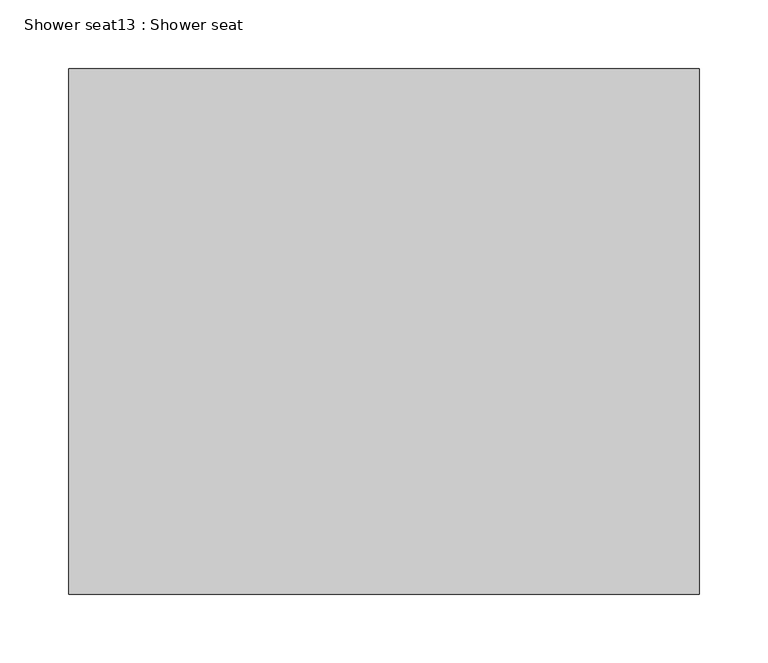
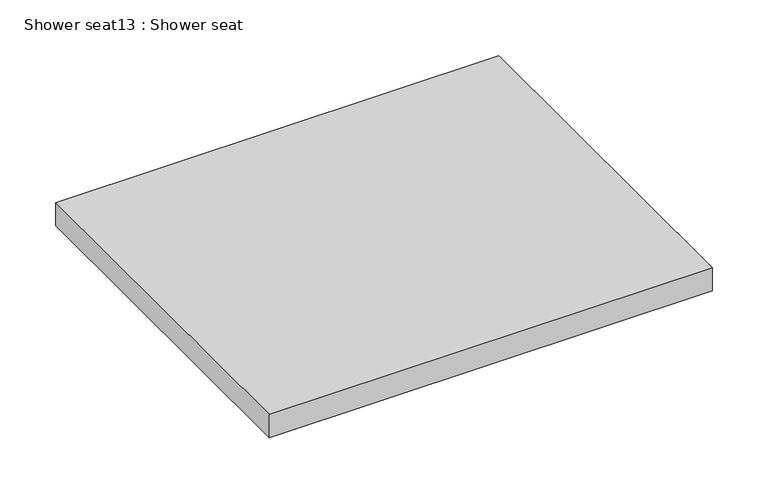
"""IFC4 building model written with IfcOpenShell, lengths in millimetres: proxy geometry, Shower seat13 : Shower seat."""

import ifcopenshell
import ifcopenshell.guid

model = None  # the IFC model being written
_history = None  # IfcOwnerHistory: only IFC2X3 demands one
_inside = {}  # id of a spatial element -> (the spatial element, [elements in it])
_under = {}  # id of a project, library or spatial element -> (it, [spatial elements below it])
_declared = {}  # id of a project -> (the project, [libraries it declares])
_typed = {}  # id of a type object -> (the type object, [elements of that type])
_made_of = {}  # id of a material, layer set ... -> (it, [elements and type objects made of it])


def new_model(schema):
    """Start an empty IFC model of exactly this schema.

    Asked for "IFC4X3", IfcOpenShell would pick the latest addendum, in which some entities
    have other attributes; the version numbers below select the first issue.
    IFC2X3 requires an IfcOwnerHistory on every rooted entity: one is made here for all.
    """
    global model, _history
    if schema == "IFC4X3":
        model = ifcopenshell.file(schema_version=(4, 3, 0, 0))
    else:
        model = ifcopenshell.file(schema=schema)
    _inside.clear()
    _under.clear()
    _declared.clear()
    _typed.clear()
    _made_of.clear()
    _history = None
    if model.schema == "IFC2X3":
        org = make("IfcOrganization", Name="unknown")
        user = make(
            "IfcPersonAndOrganization",
            ThePerson=make("IfcPerson", FamilyName="unknown"),
            TheOrganization=org,
        )
        app = make(
            "IfcApplication",
            ApplicationDeveloper=org,
            Version="unknown",
            ApplicationFullName="unknown",
            ApplicationIdentifier="unknown",
        )
        _history = make(
            "IfcOwnerHistory",
            OwningUser=user,
            OwningApplication=app,
            ChangeAction="ADDED",
            CreationDate=0,
        )
    return model


def make(cls, **values):
    """One entity of the class cls with the attributes given. An attribute that is None is left unset."""
    return model.create_entity(
        cls, **{name: value for name, value in values.items() if value is not None}
    )


def rooted(cls, **values):
    """An entity with a GlobalId (a new one), such as an element, a storey or a relation."""
    return make(cls, GlobalId=ifcopenshell.guid.new(), OwnerHistory=_history, **values)


def si_unit(unit_type, name, prefix=None):
    """IfcSIUnit, for example si_unit("LENGTHUNIT", "METRE", prefix="MILLI")."""
    return make("IfcSIUnit", UnitType=unit_type, Prefix=prefix, Name=name)


def assignment(units):
    """IfcUnitAssignment: the units of a project."""
    return None if units is None else make("IfcUnitAssignment", Units=units)


def point(xyz):
    """IfcCartesianPoint."""
    return None if xyz is None else make("IfcCartesianPoint", Coordinates=xyz)


def direction(xyz):
    """IfcDirection."""
    return None if xyz is None else make("IfcDirection", DirectionRatios=xyz)


def frame(location, z_axis=None, x_axis=None):
    """IfcAxis2Placement3D, a coordinate frame: its origin and axes. An axis left out is left unset."""
    return make(
        "IfcAxis2Placement3D",
        Location=point(location),
        Axis=direction(z_axis),
        RefDirection=direction(x_axis),
    )


def origin():
    """The frame at (0, 0, 0) with its axes left unset."""
    return frame((0.0, 0.0, 0.0))


def place(relative_to, where):
    """IfcLocalPlacement: puts the frame where relative to a parent placement (None: the world)."""
    return make(
        "IfcLocalPlacement", PlacementRelTo=relative_to, RelativePlacement=where
    )


def context(
    kind, dimensions, precision=None, world=None, true_north=None, identifier=None
):
    """IfcGeometricRepresentationContext, for example the 3D "Model" context."""
    return make(
        "IfcGeometricRepresentationContext",
        ContextIdentifier=identifier,
        ContextType=kind,
        CoordinateSpaceDimension=dimensions,
        Precision=precision,
        WorldCoordinateSystem=world,
        TrueNorth=true_north,
    )


def project(units=None, contexts=None):
    """IfcProject with its units and contexts."""
    return rooted(
        "IfcProject",
        Name="project",
        RepresentationContexts=contexts,
        UnitsInContext=assignment(units),
    )


def spatial(cls, under=None, at=None, **own):
    """A site, building, storey or space (cls), placed at a placement, below another one or the project."""
    s = rooted(cls, ObjectPlacement=at, **own)
    if under is not None:
        _under.setdefault(under.id(), (under, []))[1].append(s)
    return s


def polyline(points):
    """IfcPolyline through the points."""
    return make("IfcPolyline", Points=[point(p) for p in points])


def outline(outer, holes=None, kind="AREA"):
    """IfcArbitraryClosedProfileDef: a profile drawn as a closed curve; with holes, ...WithVoids."""
    if holes is None:
        return make("IfcArbitraryClosedProfileDef", ProfileType=kind, OuterCurve=outer)
    return make(
        "IfcArbitraryProfileDefWithVoids",
        ProfileType=kind,
        OuterCurve=outer,
        InnerCurves=holes,
    )


def extrude(swept, where, along, depth):
    """IfcExtrudedAreaSolid: the profile swept, set in the frame where, extruded along a direction by depth."""
    return make(
        "IfcExtrudedAreaSolid",
        SweptArea=swept,
        Position=where,
        ExtrudedDirection=direction(along),
        Depth=depth,
    )


def shape(context_of_items, identifier, shape_type, items):
    """IfcShapeRepresentation: the items that make up one representation, for example the "Body"."""
    return make(
        "IfcShapeRepresentation",
        ContextOfItems=context_of_items,
        RepresentationIdentifier=identifier,
        RepresentationType=shape_type,
        Items=items,
    )


def source(mapping_origin, context_of_items, identifier, shape_type, items):
    """IfcRepresentationMap: a shape defined once, which mapped items show again and again."""
    return make(
        "IfcRepresentationMap",
        MappingOrigin=mapping_origin,
        MappedRepresentation=shape(context_of_items, identifier, shape_type, items),
    )


def transform(
    local_origin,
    x_axis=None,
    y_axis=None,
    z_axis=None,
    scale=None,
    scale2=None,
    scale3=None,
    uniform=True,
):
    """IfcCartesianTransformationOperator3D, or its non-uniform kind. x_axis, y_axis, z_axis: its Axis1, 2, 3."""
    if uniform:
        return make(
            "IfcCartesianTransformationOperator3D",
            Axis1=direction(x_axis),
            Axis2=direction(y_axis),
            LocalOrigin=point(local_origin),
            Scale=scale,
            Axis3=direction(z_axis),
        )
    return make(
        "IfcCartesianTransformationOperator3DnonUniform",
        Axis1=direction(x_axis),
        Axis2=direction(y_axis),
        LocalOrigin=point(local_origin),
        Scale=scale,
        Axis3=direction(z_axis),
        Scale2=scale2,
        Scale3=scale3,
    )


def mapped(mapping_source, mapping_target):
    """IfcMappedItem: shows the shape of a source again, moved by a transform."""
    return make(
        "IfcMappedItem", MappingSource=mapping_source, MappingTarget=mapping_target
    )


def made_of(thing, what):
    """Note that an element or type object is made of a material, layer set ...; save() writes the relation."""
    if what is not None:
        _made_of.setdefault(what.id(), (what, []))[1].append(thing)
    return thing


def element(
    cls,
    number,
    at=None,
    inside=None,
    cuts=None,
    type_object=None,
    material=None,
    context=None,
    identifier="Body",
    shape_type=None,
    held_by="IfcProductDefinitionShape",
    body=None,
    shapes=None,
    **own,
):
    """One element of the class cls, such as IfcWall. Its Tag is "e" and its number.

    at: its placement. inside: the storey or other place that contains it. cuts: it is an
    opening in that element (IfcRelVoidsElement). A single representation is given by context,
    identifier, shape_type and body (its items); several are given by shapes. held_by: the class
    of the entity that holds the representations. save() writes the other relations.
    """
    e = rooted(cls, Tag="e%d" % number, ObjectPlacement=at, **own)
    if body is not None:
        shapes = [shape(context, identifier, shape_type, body)]
    if shapes is not None:
        e.Representation = make(held_by, Representations=shapes)
    if inside is not None:
        _inside.setdefault(inside.id(), (inside, []))[1].append(e)
    if cuts is not None:
        rooted(
            "IfcRelVoidsElement", RelatingBuildingElement=cuts, RelatedOpeningElement=e
        )
    if type_object is not None:
        _typed.setdefault(type_object.id(), (type_object, []))[1].append(e)
    return made_of(e, material)


def aggregate(whole, parts):
    """IfcRelAggregates: a whole, such as a stair, and the parts it consists of."""
    return rooted("IfcRelAggregates", RelatingObject=whole, RelatedObjects=parts)


def save(model, path):
    """Write the relations noted so far, then the file.

    IfcRelAggregates (storeys below a building ...), IfcRelContainedInSpatialStructure (elements
    in a storey), IfcRelDefinesByType, IfcRelAssociatesMaterial and IfcRelDeclares: one each for
    every whole, place, type object, material and project.
    """
    for whole, parts in _under.values():
        aggregate(whole, parts)
    for where, things in _inside.values():
        rooted(
            "IfcRelContainedInSpatialStructure",
            RelatedElements=things,
            RelatingStructure=where,
        )
    for kind, things in _typed.values():
        rooted("IfcRelDefinesByType", RelatedObjects=things, RelatingType=kind)
    for what, things in _made_of.values():
        rooted("IfcRelAssociatesMaterial", RelatedObjects=things, RelatingMaterial=what)
    for by, libraries in _declared.values():
        rooted("IfcRelDeclares", RelatingContext=by, RelatedDefinitions=libraries)
    model.write(path)


def shower_seat13_shower_seat_57ca4c9d(model_context):
    return source(origin(), model_context, "Body", "SweptSolid", [
        extrude(outline(polyline([(-192206.9053402, -109392.2521407), (-192206.9053402, -109773.2521407), (-192664.1053402, -109773.2521407), (-192664.1053402, -109392.2521407), (-192206.9053402, -109392.2521407)])), frame((0.0, 0.0, 457.2), z_axis=(0.0, 0.0, 1.0), x_axis=(1.0, 0.0, 0.0)), (0.0, 0.0, 1.0), 25.4),
    ])


if __name__ == "__main__":
    model = new_model("IFC4")
    model_context = context("Model", 3, world=origin())
    ifc_project = project(units=[si_unit("LENGTHUNIT", "METRE", prefix="MILLI")], contexts=[model_context])
    site = spatial("IfcSite", under=ifc_project)
    building = spatial("IfcBuilding", under=site)
    placement = place(None, origin())
    shower_seat13_shower_seat_shape = shower_seat13_shower_seat_57ca4c9d(model_context)
    element("IfcBuildingElementProxy", 1, Name="Shower seat13 : Shower seat", ObjectType="Shower seat13 : Shower seat", at=placement, inside=building, context=model_context, shape_type="MappedRepresentation", body=[
        mapped(shower_seat13_shower_seat_shape, transform((0.0, 0.0, 0.0), x_axis=(1.0, 0.0, 0.0), y_axis=(0.0, 1.0, 0.0), z_axis=(0.0, 0.0, 1.0))),
    ])
    save(model, "model.ifc")
